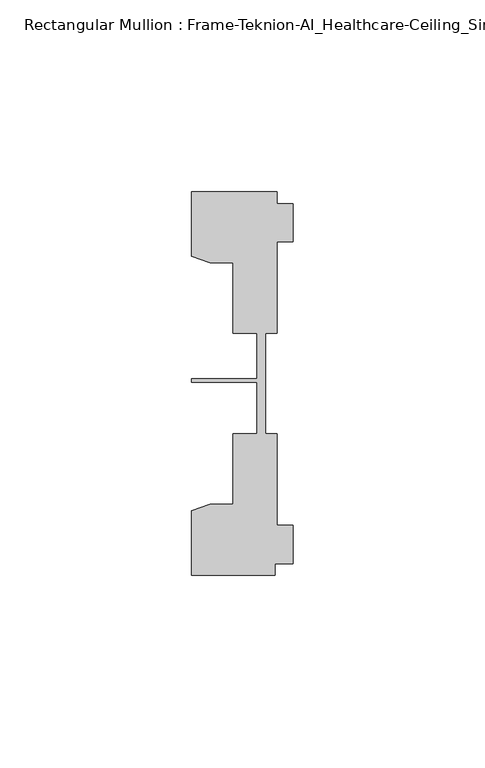
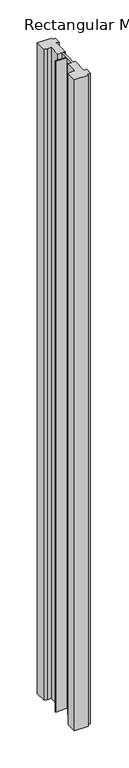
"""IFC4 building model written with IfcOpenShell, lengths in millimetres: member geometry, Rectangular Mullion : Frame-Teknion-AI_Healthcare-Ceiling_Single_Channel."""

from ifc_helpers import new_model, si_unit, frame, origin, place, context, project, spatial, polyline, outline, extrude, source, transform, mapped, element, save


def rectangular_mullion_frame_teknion_ai_healthcare_ceiling_f13958d0(model_context):
    return source(origin(), model_context, "Body", "SweptSolid", [
        extrude(outline(polyline([(-26.4921999, -34.0201677), (-21.6625199, -32.2880982), (-15.6737764, -32.2880982), (-15.6737764, -13.9110722), (-9.4507761, -13.9110722), (-9.4507761, -0.4036528), (-26.4921999, -0.4036528), (-26.4921999, 0.4036528), (-9.4507761, 0.4036528), (-9.4507761, 12.2509301), (-15.6737764, 12.2509301), (-15.6737764, 30.6279561), (-21.6625199, 30.6279561), (-26.4921999, 32.3600207), (-26.4921999, 49.1699293), (-4.2672007, 49.1699293), (-4.2672007, 46.1219322), (0.0, 46.1219322), (0.0, 36.1219249), (-4.2672007, 36.1219249), (-4.2672007, 12.2509301), (-7.1647766, 12.2509301), (-7.1647766, -0.0814804), (-7.1647766, -13.9110722), (-4.2672007, -13.9110722), (-4.2672007, -37.7820716), (0.0, -37.7820716), (0.0, -47.782071), (-4.7752002, -47.782071), (-4.7752002, -50.8315128), (-26.4921999, -50.8315128), (-26.4921999, -34.0201677)])), frame((0.0, 0.0, -1066.8), z_axis=(0.0, 0.0, 1.0), x_axis=(1.0, 0.0, 0.0)), (0.0, 0.0, 1.0), 1066.8),
    ])


if __name__ == "__main__":
    model = new_model("IFC4")
    model_context = context("Model", 3, world=origin())
    ifc_project = project(units=[si_unit("LENGTHUNIT", "METRE", prefix="MILLI")], contexts=[model_context])
    site = spatial("IfcSite", under=ifc_project)
    building = spatial("IfcBuilding", under=site)
    placement = place(None, origin())
    rectangular_mullion_frame_teknion_ai_healthcare_ceiling_shape = rectangular_mullion_frame_teknion_ai_healthcare_ceiling_f13958d0(model_context)
    element("IfcMember", 1, ObjectType="Rectangular Mullion : Frame-Teknion-AI_Healthcare-Ceiling_Single_Channel", at=placement, inside=building, context=model_context, shape_type="MappedRepresentation", body=[
        mapped(rectangular_mullion_frame_teknion_ai_healthcare_ceiling_shape, transform((0.0, 0.0, 0.0), x_axis=(1.0, 0.0, 0.0), y_axis=(0.0, 1.0, 0.0), z_axis=(0.0, 0.0, 1.0))),
    ])
    save(model, "model.ifc")
